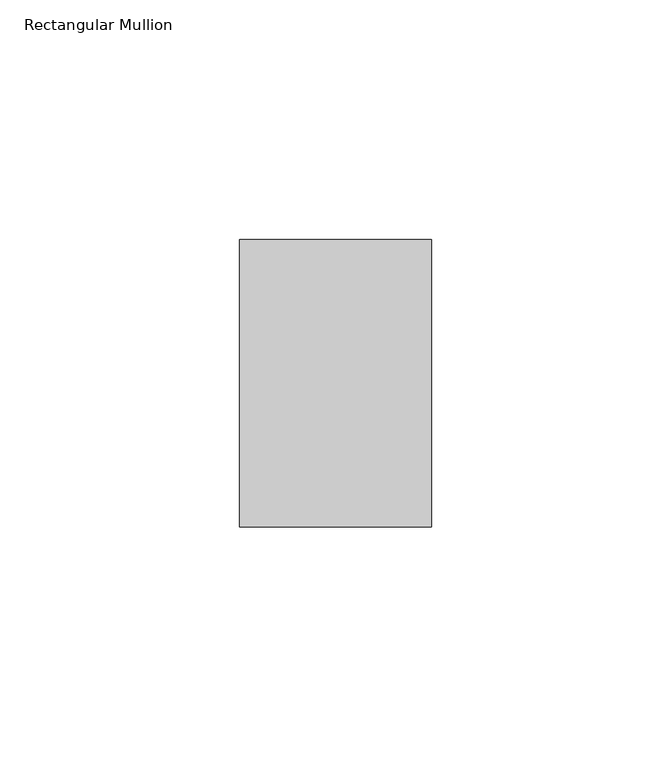
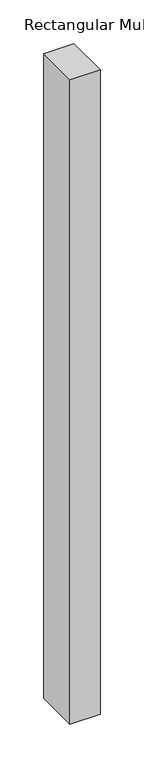
"""IFC4 building model written with IfcOpenShell, lengths in millimetres: member geometry, Rectangular Mullion."""

from ifc_helpers import new_model, si_unit, frame, origin, place, context, project, spatial, polyline, outline, extrude, source, transform, mapped, element, save


def rectangular_mullion_00a0aa49(model_context):
    return source(origin(), model_context, "Body", "SweptSolid", [
        extrude(outline(polyline([(0.0, 65.0), (0.0, 5.0), (-40.0, 5.0), (-40.0, 65.0), (0.0, 65.0)])), frame((0.0, 0.0, -900.0), z_axis=(0.0, 0.0, 1.0), x_axis=(1.0, 0.0, 0.0)), (0.0, 0.0, 1.0), 900.0),
    ])


if __name__ == "__main__":
    model = new_model("IFC4")
    model_context = context("Model", 3, world=origin())
    ifc_project = project(units=[si_unit("LENGTHUNIT", "METRE", prefix="MILLI")], contexts=[model_context])
    site = spatial("IfcSite", under=ifc_project)
    building = spatial("IfcBuilding", under=site)
    placement = place(None, origin())
    rectangular_mullion_shape = rectangular_mullion_00a0aa49(model_context)
    element("IfcMember", 1, ObjectType="Rectangular Mullion", at=placement, inside=building, context=model_context, shape_type="MappedRepresentation", body=[
        mapped(rectangular_mullion_shape, transform((0.0, 0.0, 0.0), x_axis=(1.0, 0.0, 0.0), y_axis=(0.0, 1.0, 0.0), z_axis=(0.0, 0.0, 1.0))),
    ])
    save(model, "model.ifc")
